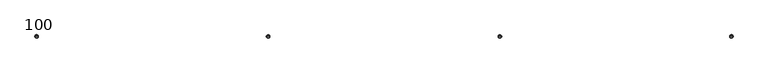
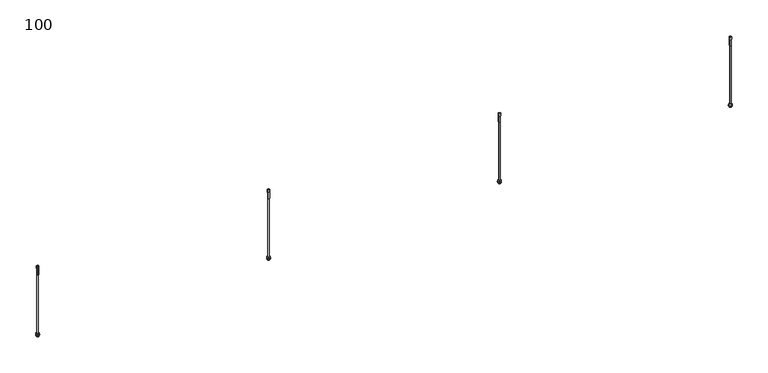
"""IFC4 building model written with IfcOpenShell, lengths in millimetres: proxy geometry, 100."""

from ifc_helpers import new_model, si_unit, point, frame, frame_2d, origin, origin_with_axes, origin_2d, place, context, project, spatial, polyline, circle_curve, trimmed, segment, composite_curve, outline, extrude, source, transform, mapped, element, save
from ifc_brep_helpers import plane_surface, cylinder_surface, revolved_surface, advanced_brep


def proxy_100_c0e9197e(model_context):
    return source(origin(), model_context, "Body", "SolidModel", [
        extrude(outline(polyline([(3000.0, 6.6082069), (3005.722875, 3.3041034), (3005.722875, -3.3041034), (3000.0, -6.6082069), (2994.277125, -3.3041034), (2994.277125, 3.3041034), (3000.0, 6.6082069)]), holes=[composite_curve([segment(trimmed(circle_curve(frame_2d((3000.0, 0.0)), 3.0), [point((3003.0, 0.0))], [point((2997.0, 0.0))], True, "CARTESIAN"), True, "CONTINUOUS"), segment(trimmed(circle_curve(frame_2d((3000.0, 0.0)), 3.0), [point((2997.0, 0.0))], [point((3003.0, 0.0))], True, "CARTESIAN"), True, "CONTINUOUS")], self_intersect=False)]), frame((0.0, 0.0, 9.2900018), z_axis=(0.0, 0.0, 1.0), x_axis=(1.0, 0.0, 0.0)), (0.0, 0.0, 1.0), 5.0),
        advanced_brep(
        [(3000.0, 0.0, 321.2678879), (2995.2681778, 0.0, 320.0), (3004.7318222, 0.0, 320.0), (3003.671637, 0.0, 281.9964405), (2996.328363, 0.0, 281.9964405), (3000.0, 0.0, 281.9964405), (3003.671637, 0.0, 310.5379079), (2996.328363, 0.0, 310.5379079), (3004.7318222, 0.0, 310.5379079), (2995.2681778, 0.0, 310.5379079)],
        [
            (0, 1),
            (1, 2, circle_curve(frame((3000.0, 0.0, 320.0), z_axis=(0.0, 0.0, 1.0), x_axis=(-1.0, 0.0, 0.0)), 4.7318222)),
            (2, 0),
            (2, 1, circle_curve(frame((3000.0, 0.0, 320.0), z_axis=(0.0, 0.0, 1.0), x_axis=(-1.0, 0.0, 0.0)), 4.7318222)),
            (3, 4, circle_curve(frame((3000.0, 0.0, 281.9964405), z_axis=(0.0, 0.0, -1.0), x_axis=(-1.0, 0.0, 0.0)), 3.671637)),
            (4, 5),
            (5, 3),
            (4, 3, circle_curve(frame((3000.0, 0.0, 281.9964405), z_axis=(0.0, 0.0, -1.0), x_axis=(-1.0, 0.0, 0.0)), 3.671637)),
            (6, 7, circle_curve(frame((3000.0, 0.0, 310.5379079), z_axis=(0.0, 0.0, -1.0), x_axis=(-1.0, 0.0, 0.0)), 3.671637)),
            (7, 4),
            (3, 6),
            (7, 6, circle_curve(frame((3000.0, 0.0, 310.5379079), z_axis=(0.0, 0.0, -1.0), x_axis=(-1.0, 0.0, 0.0)), 3.671637)),
            (8, 9, circle_curve(frame((3000.0, 0.0, 310.5379079), z_axis=(0.0, 0.0, -1.0), x_axis=(-1.0, 0.0, 0.0)), 4.7318222)),
            (9, 7),
            (6, 8),
            (9, 8, circle_curve(frame((3000.0, 0.0, 310.5379079), z_axis=(0.0, 0.0, -1.0), x_axis=(-1.0, 0.0, 0.0)), 4.7318222)),
            (1, 9),
            (8, 2),
        ],
        [
            revolved_surface(polyline([(2995.2681778, 0.0, 320.0), (3000.0, 0.0, 321.2678879)]), (3000.0, 0.0, 289.8947141), (0.0, 0.0, 1.0)),
            plane_surface(frame((3000.0, 0.0, 281.9964405), z_axis=(0.0, 0.0, -1.0), x_axis=(-1.0, 0.0, 0.0))),
            cylinder_surface(frame((3000.0, 0.0, 289.8947141), z_axis=(0.0, 0.0, 1.0), x_axis=(-1.0, 0.0, 0.0)), 3.671637),
            plane_surface(frame((3000.0, 0.0, 310.5379079), z_axis=(0.0, 0.0, -1.0), x_axis=(-1.0, 0.0, 0.0))),
            cylinder_surface(frame((3000.0, 0.0, 289.8947141), z_axis=(0.0, 0.0, 1.0), x_axis=(-1.0, 0.0, 0.0)), 4.7318222),
        ],
        [
            (0, [[1, 2, 3]]),
            (0, [[-3, 4, -1]]),
            (1, [[5, 6, 7]]),
            (1, [[8, -7, -6]]),
            (2, [[9, 10, -5, 11]]),
            (2, [[12, -11, -8, -10]]),
            (3, [[13, 14, -9, 15]]),
            (3, [[16, -15, -12, -14]]),
            (4, [[-2, 17, -13, 18]]),
            (4, [[-4, -18, -16, -17]]),
        ],
    ),
        extrude(outline(composite_curve([segment(trimmed(circle_curve(frame_2d((3000.0, 0.0)), 7.6155736), [point((3007.6155736, 0.0))], [point((2992.3844264, 0.0))], False, "CARTESIAN"), True, "CONTINUOUS"), segment(trimmed(circle_curve(frame_2d((3000.0, 0.0)), 7.6155736), [point((2992.3844264, 0.0))], [point((3007.6155736, 0.0))], False, "CARTESIAN"), True, "CONTINUOUS")], self_intersect=False), holes=[composite_curve([segment(trimmed(circle_curve(frame_2d((3000.0, 0.0)), 3.0), [point((3003.0, 0.0))], [point((2997.0, 0.0))], True, "CARTESIAN"), True, "CONTINUOUS"), segment(trimmed(circle_curve(frame_2d((3000.0, 0.0)), 3.0), [point((2997.0, 0.0))], [point((3003.0, 0.0))], True, "CARTESIAN"), True, "CONTINUOUS")], self_intersect=False)]), frame((0.0, 0.0, 6.4900018), z_axis=(0.0, 0.0, 1.0), x_axis=(1.0, 0.0, 0.0)), (0.0, 0.0, 1.0), 1.0),
        extrude(outline(polyline([(3000.0, 6.6082069), (3005.722875, 3.3041034), (3005.722875, -3.3041034), (3000.0, -6.6082069), (2994.277125, -3.3041034), (2994.277125, 3.3041034), (3000.0, 6.6082069)]), holes=[composite_curve([segment(trimmed(circle_curve(frame_2d((3000.0, 0.0)), 3.0), [point((3003.0, 0.0))], [point((2997.0, 0.0))], True, "CARTESIAN"), True, "CONTINUOUS"), segment(trimmed(circle_curve(frame_2d((3000.0, 0.0)), 3.0), [point((2997.0, 0.0))], [point((3003.0, 0.0))], True, "CARTESIAN"), True, "CONTINUOUS")], self_intersect=False)]), frame((0.0, 0.0, 1.4900018), z_axis=(0.0, 0.0, 1.0), x_axis=(1.0, 0.0, 0.0)), (0.0, 0.0, 1.0), 5.0),
        extrude(outline(composite_curve([segment(trimmed(circle_curve(frame_2d((3000.0, 0.0)), 3.0), [point((3003.0, 0.0))], [point((2997.0, 0.0))], False, "CARTESIAN"), True, "CONTINUOUS"), segment(trimmed(circle_curve(frame_2d((3000.0, 0.0)), 3.0), [point((2997.0, 0.0))], [point((3003.0, 0.0))], False, "CARTESIAN"), True, "CONTINUOUS")], self_intersect=False)), origin_with_axes(), (0.0, 0.0, 1.0), 320.0),
        extrude(outline(polyline([(2000.0, 6.6082069), (2005.722875, 3.3041034), (2005.722875, -3.3041034), (2000.0, -6.6082069), (1994.277125, -3.3041034), (1994.277125, 3.3041034), (2000.0, 6.6082069)]), holes=[composite_curve([segment(trimmed(circle_curve(frame_2d((2000.0, 0.0)), 3.0), [point((2003.0, 0.0))], [point((1997.0, 0.0))], True, "CARTESIAN"), True, "CONTINUOUS"), segment(trimmed(circle_curve(frame_2d((2000.0, 0.0)), 3.0), [point((1997.0, 0.0))], [point((2003.0, 0.0))], True, "CARTESIAN"), True, "CONTINUOUS")], self_intersect=False)]), frame((0.0, 0.0, 9.2900018), z_axis=(0.0, 0.0, 1.0), x_axis=(1.0, 0.0, 0.0)), (0.0, 0.0, 1.0), 5.0),
        advanced_brep(
        [(2000.0, 0.0, 321.2678879), (1995.2681778, 0.0, 320.0), (2004.7318222, 0.0, 320.0), (2003.671637, 0.0, 281.9964405), (1996.328363, 0.0, 281.9964405), (2000.0, 0.0, 281.9964405), (2003.671637, 0.0, 310.5379079), (1996.328363, 0.0, 310.5379079), (2004.7318222, 0.0, 310.5379079), (1995.2681778, 0.0, 310.5379079)],
        [
            (0, 1),
            (1, 2, circle_curve(frame((2000.0, 0.0, 320.0), z_axis=(0.0, 0.0, 1.0), x_axis=(-1.0, 0.0, 0.0)), 4.7318222)),
            (2, 0),
            (2, 1, circle_curve(frame((2000.0, 0.0, 320.0), z_axis=(0.0, 0.0, 1.0), x_axis=(-1.0, 0.0, 0.0)), 4.7318222)),
            (3, 4, circle_curve(frame((2000.0, 0.0, 281.9964405), z_axis=(0.0, 0.0, -1.0), x_axis=(-1.0, 0.0, 0.0)), 3.671637)),
            (4, 5),
            (5, 3),
            (4, 3, circle_curve(frame((2000.0, 0.0, 281.9964405), z_axis=(0.0, 0.0, -1.0), x_axis=(-1.0, 0.0, 0.0)), 3.671637)),
            (6, 7, circle_curve(frame((2000.0, 0.0, 310.5379079), z_axis=(0.0, 0.0, -1.0), x_axis=(-1.0, 0.0, 0.0)), 3.671637)),
            (7, 4),
            (3, 6),
            (7, 6, circle_curve(frame((2000.0, 0.0, 310.5379079), z_axis=(0.0, 0.0, -1.0), x_axis=(-1.0, 0.0, 0.0)), 3.671637)),
            (8, 9, circle_curve(frame((2000.0, 0.0, 310.5379079), z_axis=(0.0, 0.0, -1.0), x_axis=(-1.0, 0.0, 0.0)), 4.7318222)),
            (9, 7),
            (6, 8),
            (9, 8, circle_curve(frame((2000.0, 0.0, 310.5379079), z_axis=(0.0, 0.0, -1.0), x_axis=(-1.0, 0.0, 0.0)), 4.7318222)),
            (1, 9),
            (8, 2),
        ],
        [
            revolved_surface(polyline([(1995.2681778, 0.0, 320.0), (2000.0, 0.0, 321.2678879)]), (2000.0, 0.0, 289.8947141), (0.0, 0.0, 1.0)),
            plane_surface(frame((2000.0, 0.0, 281.9964405), z_axis=(0.0, 0.0, -1.0), x_axis=(-1.0, 0.0, 0.0))),
            cylinder_surface(frame((2000.0, 0.0, 289.8947141), z_axis=(0.0, 0.0, 1.0), x_axis=(-1.0, 0.0, 0.0)), 3.671637),
            plane_surface(frame((2000.0, 0.0, 310.5379079), z_axis=(0.0, 0.0, -1.0), x_axis=(-1.0, 0.0, 0.0))),
            cylinder_surface(frame((2000.0, 0.0, 289.8947141), z_axis=(0.0, 0.0, 1.0), x_axis=(-1.0, 0.0, 0.0)), 4.7318222),
        ],
        [
            (0, [[1, 2, 3]]),
            (0, [[-3, 4, -1]]),
            (1, [[5, 6, 7]]),
            (1, [[8, -7, -6]]),
            (2, [[9, 10, -5, 11]]),
            (2, [[12, -11, -8, -10]]),
            (3, [[13, 14, -9, 15]]),
            (3, [[16, -15, -12, -14]]),
            (4, [[-2, 17, -13, 18]]),
            (4, [[-4, -18, -16, -17]]),
        ],
    ),
        extrude(outline(composite_curve([segment(trimmed(circle_curve(frame_2d((2000.0, 0.0)), 7.6155736), [point((2007.6155736, 0.0))], [point((1992.3844264, 0.0))], False, "CARTESIAN"), True, "CONTINUOUS"), segment(trimmed(circle_curve(frame_2d((2000.0, 0.0)), 7.6155736), [point((1992.3844264, 0.0))], [point((2007.6155736, 0.0))], False, "CARTESIAN"), True, "CONTINUOUS")], self_intersect=False), holes=[composite_curve([segment(trimmed(circle_curve(frame_2d((2000.0, 0.0)), 3.0), [point((2003.0, 0.0))], [point((1997.0, 0.0))], True, "CARTESIAN"), True, "CONTINUOUS"), segment(trimmed(circle_curve(frame_2d((2000.0, 0.0)), 3.0), [point((1997.0, 0.0))], [point((2003.0, 0.0))], True, "CARTESIAN"), True, "CONTINUOUS")], self_intersect=False)]), frame((0.0, 0.0, 6.4900018), z_axis=(0.0, 0.0, 1.0), x_axis=(1.0, 0.0, 0.0)), (0.0, 0.0, 1.0), 1.0),
        extrude(outline(polyline([(2000.0, 6.6082069), (2005.722875, 3.3041034), (2005.722875, -3.3041034), (2000.0, -6.6082069), (1994.277125, -3.3041034), (1994.277125, 3.3041034), (2000.0, 6.6082069)]), holes=[composite_curve([segment(trimmed(circle_curve(frame_2d((2000.0, 0.0)), 3.0), [point((2003.0, 0.0))], [point((1997.0, 0.0))], True, "CARTESIAN"), True, "CONTINUOUS"), segment(trimmed(circle_curve(frame_2d((2000.0, 0.0)), 3.0), [point((1997.0, 0.0))], [point((2003.0, 0.0))], True, "CARTESIAN"), True, "CONTINUOUS")], self_intersect=False)]), frame((0.0, 0.0, 1.4900018), z_axis=(0.0, 0.0, 1.0), x_axis=(1.0, 0.0, 0.0)), (0.0, 0.0, 1.0), 5.0),
        extrude(outline(composite_curve([segment(trimmed(circle_curve(frame_2d((2000.0, 0.0)), 3.0), [point((2003.0, 0.0))], [point((1997.0, 0.0))], False, "CARTESIAN"), True, "CONTINUOUS"), segment(trimmed(circle_curve(frame_2d((2000.0, 0.0)), 3.0), [point((1997.0, 0.0))], [point((2003.0, 0.0))], False, "CARTESIAN"), True, "CONTINUOUS")], self_intersect=False)), origin_with_axes(), (0.0, 0.0, 1.0), 320.0),
        extrude(outline(polyline([(1000.0, 6.6082069), (1005.722875, 3.3041034), (1005.722875, -3.3041034), (1000.0, -6.6082069), (994.277125, -3.3041034), (994.277125, 3.3041034), (1000.0, 6.6082069)]), holes=[composite_curve([segment(trimmed(circle_curve(frame_2d((1000.0, 0.0)), 3.0), [point((1003.0, 0.0))], [point((997.0, 0.0))], True, "CARTESIAN"), True, "CONTINUOUS"), segment(trimmed(circle_curve(frame_2d((1000.0, 0.0)), 3.0), [point((997.0, 0.0))], [point((1003.0, 0.0))], True, "CARTESIAN"), True, "CONTINUOUS")], self_intersect=False)]), frame((0.0, 0.0, 9.2900018), z_axis=(0.0, 0.0, 1.0), x_axis=(1.0, 0.0, 0.0)), (0.0, 0.0, 1.0), 5.0),
        advanced_brep(
        [(1000.0, 0.0, 321.2678879), (995.2681778, 0.0, 320.0), (1004.7318222, 0.0, 320.0), (1003.671637, 0.0, 281.9964405), (996.328363, 0.0, 281.9964405), (1000.0, 0.0, 281.9964405), (1003.671637, 0.0, 310.5379079), (996.328363, 0.0, 310.5379079), (1004.7318222, 0.0, 310.5379079), (995.2681778, 0.0, 310.5379079)],
        [
            (0, 1),
            (1, 2, circle_curve(frame((1000.0, 0.0, 320.0), z_axis=(0.0, 0.0, 1.0), x_axis=(-1.0, 0.0, 0.0)), 4.7318222)),
            (2, 0),
            (2, 1, circle_curve(frame((1000.0, 0.0, 320.0), z_axis=(0.0, 0.0, 1.0), x_axis=(-1.0, 0.0, 0.0)), 4.7318222)),
            (3, 4, circle_curve(frame((1000.0, 0.0, 281.9964405), z_axis=(0.0, 0.0, -1.0), x_axis=(-1.0, 0.0, 0.0)), 3.671637)),
            (4, 5),
            (5, 3),
            (4, 3, circle_curve(frame((1000.0, 0.0, 281.9964405), z_axis=(0.0, 0.0, -1.0), x_axis=(-1.0, 0.0, 0.0)), 3.671637)),
            (6, 7, circle_curve(frame((1000.0, 0.0, 310.5379079), z_axis=(0.0, 0.0, -1.0), x_axis=(-1.0, 0.0, 0.0)), 3.671637)),
            (7, 4),
            (3, 6),
            (7, 6, circle_curve(frame((1000.0, 0.0, 310.5379079), z_axis=(0.0, 0.0, -1.0), x_axis=(-1.0, 0.0, 0.0)), 3.671637)),
            (8, 9, circle_curve(frame((1000.0, 0.0, 310.5379079), z_axis=(0.0, 0.0, -1.0), x_axis=(-1.0, 0.0, 0.0)), 4.7318222)),
            (9, 7),
            (6, 8),
            (9, 8, circle_curve(frame((1000.0, 0.0, 310.5379079), z_axis=(0.0, 0.0, -1.0), x_axis=(-1.0, 0.0, 0.0)), 4.7318222)),
            (1, 9),
            (8, 2),
        ],
        [
            revolved_surface(polyline([(995.2681778, 0.0, 320.0), (1000.0, 0.0, 321.2678879)]), (1000.0, 0.0, 289.8947141), (0.0, 0.0, 1.0)),
            plane_surface(frame((1000.0, 0.0, 281.9964405), z_axis=(0.0, 0.0, -1.0), x_axis=(-1.0, 0.0, 0.0))),
            cylinder_surface(frame((1000.0, 0.0, 289.8947141), z_axis=(0.0, 0.0, 1.0), x_axis=(-1.0, 0.0, 0.0)), 3.671637),
            plane_surface(frame((1000.0, 0.0, 310.5379079), z_axis=(0.0, 0.0, -1.0), x_axis=(-1.0, 0.0, 0.0))),
            cylinder_surface(frame((1000.0, 0.0, 289.8947141), z_axis=(0.0, 0.0, 1.0), x_axis=(-1.0, 0.0, 0.0)), 4.7318222),
        ],
        [
            (0, [[1, 2, 3]]),
            (0, [[-3, 4, -1]]),
            (1, [[5, 6, 7]]),
            (1, [[8, -7, -6]]),
            (2, [[9, 10, -5, 11]]),
            (2, [[12, -11, -8, -10]]),
            (3, [[13, 14, -9, 15]]),
            (3, [[16, -15, -12, -14]]),
            (4, [[-2, 17, -13, 18]]),
            (4, [[-4, -18, -16, -17]]),
        ],
    ),
        extrude(outline(composite_curve([segment(trimmed(circle_curve(frame_2d((1000.0, 0.0)), 7.6155736), [point((1007.6155736, 0.0))], [point((992.3844264, 0.0))], False, "CARTESIAN"), True, "CONTINUOUS"), segment(trimmed(circle_curve(frame_2d((1000.0, 0.0)), 7.6155736), [point((992.3844264, 0.0))], [point((1007.6155736, 0.0))], False, "CARTESIAN"), True, "CONTINUOUS")], self_intersect=False), holes=[composite_curve([segment(trimmed(circle_curve(frame_2d((1000.0, 0.0)), 3.0), [point((1003.0, 0.0))], [point((997.0, 0.0))], True, "CARTESIAN"), True, "CONTINUOUS"), segment(trimmed(circle_curve(frame_2d((1000.0, 0.0)), 3.0), [point((997.0, 0.0))], [point((1003.0, 0.0))], True, "CARTESIAN"), True, "CONTINUOUS")], self_intersect=False)]), frame((0.0, 0.0, 6.4900018), z_axis=(0.0, 0.0, 1.0), x_axis=(1.0, 0.0, 0.0)), (0.0, 0.0, 1.0), 1.0),
        extrude(outline(polyline([(1000.0, 6.6082069), (1005.722875, 3.3041034), (1005.722875, -3.3041034), (1000.0, -6.6082069), (994.277125, -3.3041034), (994.277125, 3.3041034), (1000.0, 6.6082069)]), holes=[composite_curve([segment(trimmed(circle_curve(frame_2d((1000.0, 0.0)), 3.0), [point((1003.0, 0.0))], [point((997.0, 0.0))], True, "CARTESIAN"), True, "CONTINUOUS"), segment(trimmed(circle_curve(frame_2d((1000.0, 0.0)), 3.0), [point((997.0, 0.0))], [point((1003.0, 0.0))], True, "CARTESIAN"), True, "CONTINUOUS")], self_intersect=False)]), frame((0.0, 0.0, 1.4900018), z_axis=(0.0, 0.0, 1.0), x_axis=(1.0, 0.0, 0.0)), (0.0, 0.0, 1.0), 5.0),
        extrude(outline(composite_curve([segment(trimmed(circle_curve(frame_2d((1000.0, 0.0)), 3.0), [point((1003.0, 0.0))], [point((997.0, 0.0))], False, "CARTESIAN"), True, "CONTINUOUS"), segment(trimmed(circle_curve(frame_2d((1000.0, 0.0)), 3.0), [point((997.0, 0.0))], [point((1003.0, 0.0))], False, "CARTESIAN"), True, "CONTINUOUS")], self_intersect=False)), origin_with_axes(), (0.0, 0.0, 1.0), 320.0),
        extrude(outline(polyline([(0.0, 6.6082069), (5.722875, 3.3041034), (5.722875, -3.3041034), (0.0, -6.6082069), (-5.722875, -3.3041034), (-5.722875, 3.3041034), (0.0, 6.6082069)]), holes=[composite_curve([segment(trimmed(circle_curve(origin_2d(), 3.0), [point((3.0, 0.0))], [point((-3.0, 0.0))], True, "CARTESIAN"), True, "CONTINUOUS"), segment(trimmed(circle_curve(origin_2d(), 3.0), [point((-3.0, 0.0))], [point((3.0, 0.0))], True, "CARTESIAN"), True, "CONTINUOUS")], self_intersect=False)]), frame((0.0, 0.0, 9.2900018), z_axis=(0.0, 0.0, 1.0), x_axis=(1.0, 0.0, 0.0)), (0.0, 0.0, 1.0), 5.0),
        advanced_brep(
        [(0.0, 0.0, 321.2678879), (-4.7318222, 0.0, 320.0), (4.7318222, 0.0, 320.0), (3.671637, 0.0, 281.9964405), (-3.671637, 0.0, 281.9964405), (0.0, 0.0, 281.9964405), (3.671637, 0.0, 310.5379079), (-3.671637, 0.0, 310.5379079), (4.7318222, 0.0, 310.5379079), (-4.7318222, 0.0, 310.5379079)],
        [
            (0, 1),
            (1, 2, circle_curve(frame((0.0, 0.0, 320.0), z_axis=(0.0, 0.0, 1.0), x_axis=(-1.0, 0.0, 0.0)), 4.7318222)),
            (2, 0),
            (2, 1, circle_curve(frame((0.0, 0.0, 320.0), z_axis=(0.0, 0.0, 1.0), x_axis=(-1.0, 0.0, 0.0)), 4.7318222)),
            (3, 4, circle_curve(frame((0.0, 0.0, 281.9964405), z_axis=(0.0, 0.0, -1.0), x_axis=(-1.0, 0.0, 0.0)), 3.671637)),
            (4, 5),
            (5, 3),
            (4, 3, circle_curve(frame((0.0, 0.0, 281.9964405), z_axis=(0.0, 0.0, -1.0), x_axis=(-1.0, 0.0, 0.0)), 3.671637)),
            (6, 7, circle_curve(frame((0.0, 0.0, 310.5379079), z_axis=(0.0, 0.0, -1.0), x_axis=(-1.0, 0.0, 0.0)), 3.671637)),
            (7, 4),
            (3, 6),
            (7, 6, circle_curve(frame((0.0, 0.0, 310.5379079), z_axis=(0.0, 0.0, -1.0), x_axis=(-1.0, 0.0, 0.0)), 3.671637)),
            (8, 9, circle_curve(frame((0.0, 0.0, 310.5379079), z_axis=(0.0, 0.0, -1.0), x_axis=(-1.0, 0.0, 0.0)), 4.7318222)),
            (9, 7),
            (6, 8),
            (9, 8, circle_curve(frame((0.0, 0.0, 310.5379079), z_axis=(0.0, 0.0, -1.0), x_axis=(-1.0, 0.0, 0.0)), 4.7318222)),
            (1, 9),
            (8, 2),
        ],
        [
            revolved_surface(polyline([(-4.7318222, 0.0, 320.0), (0.0, 0.0, 321.2678879)]), (0.0, 0.0, 289.8947141), (0.0, 0.0, 1.0)),
            plane_surface(frame((0.0, 0.0, 281.9964405), z_axis=(0.0, 0.0, -1.0), x_axis=(-1.0, 0.0, 0.0))),
            cylinder_surface(frame((0.0, 0.0, 289.8947141), z_axis=(0.0, 0.0, 1.0), x_axis=(-1.0, 0.0, 0.0)), 3.671637),
            plane_surface(frame((0.0, 0.0, 310.5379079), z_axis=(0.0, 0.0, -1.0), x_axis=(-1.0, 0.0, 0.0))),
            cylinder_surface(frame((0.0, 0.0, 289.8947141), z_axis=(0.0, 0.0, 1.0), x_axis=(-1.0, 0.0, 0.0)), 4.7318222),
        ],
        [
            (0, [[1, 2, 3]]),
            (0, [[-3, 4, -1]]),
            (1, [[5, 6, 7]]),
            (1, [[8, -7, -6]]),
            (2, [[9, 10, -5, 11]]),
            (2, [[12, -11, -8, -10]]),
            (3, [[13, 14, -9, 15]]),
            (3, [[16, -15, -12, -14]]),
            (4, [[-2, 17, -13, 18]]),
            (4, [[-4, -18, -16, -17]]),
        ],
    ),
        extrude(outline(composite_curve([segment(trimmed(circle_curve(origin_2d(), 7.6155736), [point((7.6155736, 0.0))], [point((-7.6155736, 0.0))], False, "CARTESIAN"), True, "CONTINUOUS"), segment(trimmed(circle_curve(origin_2d(), 7.6155736), [point((-7.6155736, 0.0))], [point((7.6155736, 0.0))], False, "CARTESIAN"), True, "CONTINUOUS")], self_intersect=False), holes=[composite_curve([segment(trimmed(circle_curve(origin_2d(), 3.0), [point((3.0, 0.0))], [point((-3.0, 0.0))], True, "CARTESIAN"), True, "CONTINUOUS"), segment(trimmed(circle_curve(origin_2d(), 3.0), [point((-3.0, 0.0))], [point((3.0, 0.0))], True, "CARTESIAN"), True, "CONTINUOUS")], self_intersect=False)]), frame((0.0, 0.0, 6.4900018), z_axis=(0.0, 0.0, 1.0), x_axis=(1.0, 0.0, 0.0)), (0.0, 0.0, 1.0), 1.0),
        extrude(outline(polyline([(0.0, 6.6082069), (5.722875, 3.3041034), (5.722875, -3.3041034), (0.0, -6.6082069), (-5.722875, -3.3041034), (-5.722875, 3.3041034), (0.0, 6.6082069)]), holes=[composite_curve([segment(trimmed(circle_curve(origin_2d(), 3.0), [point((3.0, 0.0))], [point((-3.0, 0.0))], True, "CARTESIAN"), True, "CONTINUOUS"), segment(trimmed(circle_curve(origin_2d(), 3.0), [point((-3.0, 0.0))], [point((3.0, 0.0))], True, "CARTESIAN"), True, "CONTINUOUS")], self_intersect=False)]), frame((0.0, 0.0, 1.4900018), z_axis=(0.0, 0.0, 1.0), x_axis=(1.0, 0.0, 0.0)), (0.0, 0.0, 1.0), 5.0),
        extrude(outline(composite_curve([segment(trimmed(circle_curve(origin_2d(), 3.0), [point((3.0, 0.0))], [point((-3.0, 0.0))], False, "CARTESIAN"), True, "CONTINUOUS"), segment(trimmed(circle_curve(origin_2d(), 3.0), [point((-3.0, 0.0))], [point((3.0, 0.0))], False, "CARTESIAN"), True, "CONTINUOUS")], self_intersect=False)), origin_with_axes(), (0.0, 0.0, 1.0), 320.0),
    ])


if __name__ == "__main__":
    model = new_model("IFC4")
    model_context = context("Model", 3, world=origin())
    ifc_project = project(units=[si_unit("LENGTHUNIT", "METRE", prefix="MILLI")], contexts=[model_context])
    site = spatial("IfcSite", under=ifc_project)
    building = spatial("IfcBuilding", under=site)
    placement = place(None, origin())
    proxy_100_shape = proxy_100_c0e9197e(model_context)
    element("IfcBuildingElementProxy", 1, Name="100", ObjectType="100", at=placement, inside=building, context=model_context, shape_type="MappedRepresentation", body=[
        mapped(proxy_100_shape, transform((0.0, 0.0, 0.0), x_axis=(1.0, 0.0, 0.0), y_axis=(0.0, 1.0, 0.0), z_axis=(0.0, 0.0, 1.0))),
    ])
    save(model, "model.ifc")
